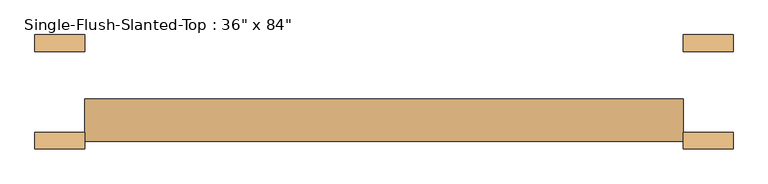
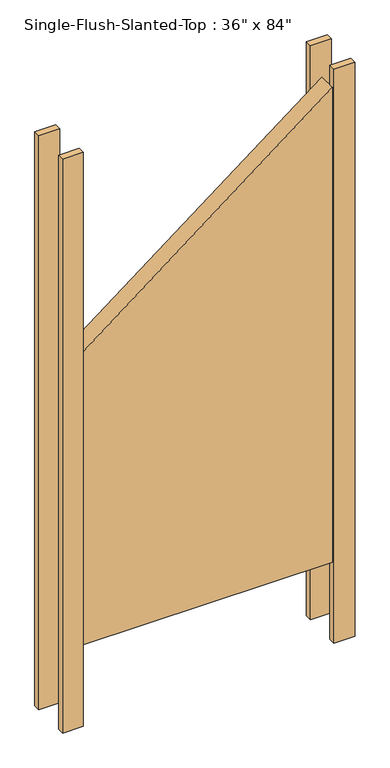
"""IFC4 building model written with IfcOpenShell, lengths in millimetres: door geometry."""

from ifc_helpers import new_model, si_unit, frame, origin, origin_with_axes, place, context, project, spatial, polyline, outline, extrude, source, transform, mapped, element, save


def door_2692c900(model_context):
    return source(origin(), model_context, "Body", "SweptSolid", [
        extrude(outline(polyline([(1429.6945518, -457.2), (304.8, -457.2), (304.8, 457.2), (2133.6, 457.2), (1429.6945518, -457.2)])), frame((0.0, -76.2, 0.0), z_axis=(0.0, 1.0, 0.0), x_axis=(0.0, 0.0, 1.0)), (0.0, 0.0, 1.0), 65.0875),
        extrude(outline(polyline([(457.2, -87.3125), (457.2, -61.9125), (533.4, -61.9125), (533.4, -87.3125), (457.2, -87.3125)])), origin_with_axes(), (0.0, 0.0, 1.0), 2209.8),
        extrude(outline(polyline([(-533.4, -87.3125), (-533.4, -61.9125), (-457.2, -61.9125), (-457.2, -87.3125), (-533.4, -87.3125)])), origin_with_axes(), (0.0, 0.0, 1.0), 2209.8),
        extrude(outline(polyline([(-457.2, 87.3125), (-457.2, 61.9125), (-533.4, 61.9125), (-533.4, 87.3125), (-457.2, 87.3125)])), origin_with_axes(), (0.0, 0.0, 1.0), 2209.8),
        extrude(outline(polyline([(533.4, 87.3125), (533.4, 61.9125), (457.2, 61.9125), (457.2, 87.3125), (533.4, 87.3125)])), origin_with_axes(), (0.0, 0.0, 1.0), 2209.8),
    ])


if __name__ == "__main__":
    model = new_model("IFC4")
    model_context = context("Model", 3, world=origin())
    ifc_project = project(units=[si_unit("LENGTHUNIT", "METRE", prefix="MILLI")], contexts=[model_context])
    site = spatial("IfcSite", under=ifc_project)
    building = spatial("IfcBuilding", under=site)
    placement = place(None, origin())
    door_shape = door_2692c900(model_context)
    element("IfcDoor", 1, ObjectType="Single-Flush-Slanted-Top : 36\" x 84\"", at=placement, inside=building, context=model_context, shape_type="MappedRepresentation", body=[
        mapped(door_shape, transform((0.0, 0.0, 0.0), x_axis=(1.0, 0.0, 0.0), y_axis=(0.0, 1.0, 0.0), z_axis=(0.0, 0.0, 1.0))),
    ])
    save(model, "model.ifc")
